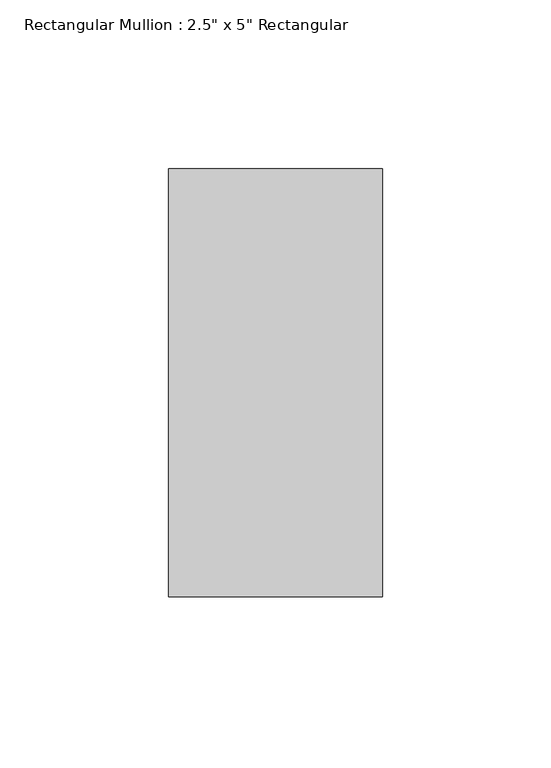
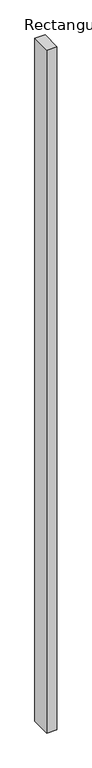
"""IFC4 building model written with IfcOpenShell, lengths in millimetres: member geometry."""

from ifc_helpers import new_model, si_unit, frame, origin, place, context, project, spatial, polyline, outline, extrude, source, transform, mapped, element, save


def member_8c3f0057(model_context):
    return source(origin(), model_context, "Body", "SweptSolid", [
        extrude(outline(polyline([(31.75, 63.5), (31.75, -63.5), (-31.75, -63.5), (-31.75, 63.5), (31.75, 63.5)])), frame((0.0, 0.0, -4483.1), z_axis=(0.0, 0.0, 1.0), x_axis=(1.0, 0.0, 0.0)), (0.0, 0.0, 1.0), 4483.1),
    ])


if __name__ == "__main__":
    model = new_model("IFC4")
    model_context = context("Model", 3, world=origin())
    ifc_project = project(units=[si_unit("LENGTHUNIT", "METRE", prefix="MILLI")], contexts=[model_context])
    site = spatial("IfcSite", under=ifc_project)
    building = spatial("IfcBuilding", under=site)
    placement = place(None, origin())
    member_shape = member_8c3f0057(model_context)
    element("IfcMember", 1, ObjectType="Rectangular Mullion : 2.5\" x 5\" Rectangular", at=placement, inside=building, context=model_context, shape_type="MappedRepresentation", body=[
        mapped(member_shape, transform((0.0, 0.0, 0.0), x_axis=(1.0, 0.0, 0.0), y_axis=(0.0, 1.0, 0.0), z_axis=(0.0, 0.0, 1.0))),
    ])
    save(model, "model.ifc")
